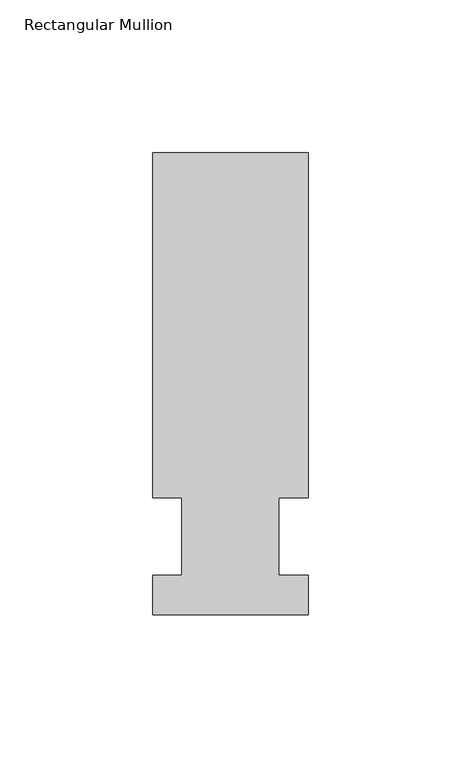
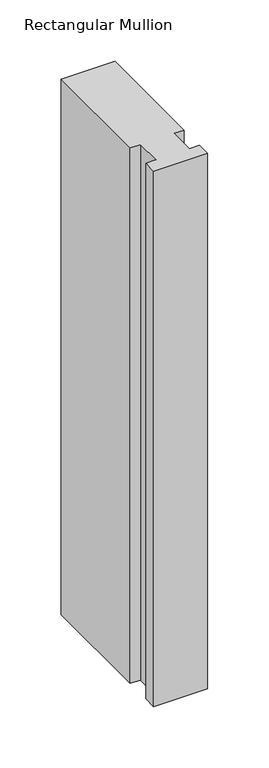
"""IFC4 building model written with IfcOpenShell, lengths in millimetres: member geometry, Rectangular Mullion."""

from ifc_helpers import new_model, si_unit, frame, origin, place, context, project, spatial, polyline, outline, extrude, source, transform, mapped, element, save


def rectangular_mullion_75c739ed(model_context):
    return source(origin(), model_context, "Body", "SweptSolid", [
        extrude(outline(polyline([(-25.4, -25.5984375), (-25.4, -12.7), (-15.875, -12.7), (-15.875, 12.7), (-25.4, 12.7), (-25.4, 125.6109375), (25.4, 125.6109375), (25.4, 12.7), (15.875, 12.7), (15.875, -12.7), (25.4, -12.7), (25.4, -25.5984375), (-25.4, -25.5984375)])), frame((0.0, 0.0, -533.4), z_axis=(0.0, 0.0, 1.0), x_axis=(1.0, 0.0, 0.0)), (0.0, 0.0, 1.0), 533.4),
    ])


if __name__ == "__main__":
    model = new_model("IFC4")
    model_context = context("Model", 3, world=origin())
    ifc_project = project(units=[si_unit("LENGTHUNIT", "METRE", prefix="MILLI")], contexts=[model_context])
    site = spatial("IfcSite", under=ifc_project)
    building = spatial("IfcBuilding", under=site)
    placement = place(None, origin())
    rectangular_mullion_shape = rectangular_mullion_75c739ed(model_context)
    element("IfcMember", 1, ObjectType="Rectangular Mullion", at=placement, inside=building, context=model_context, shape_type="MappedRepresentation", body=[
        mapped(rectangular_mullion_shape, transform((0.0, 0.0, 0.0), x_axis=(1.0, 0.0, 0.0), y_axis=(0.0, 1.0, 0.0), z_axis=(0.0, 0.0, 1.0))),
    ])
    save(model, "model.ifc")
